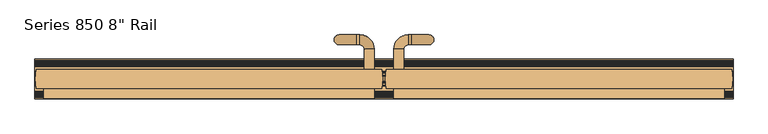
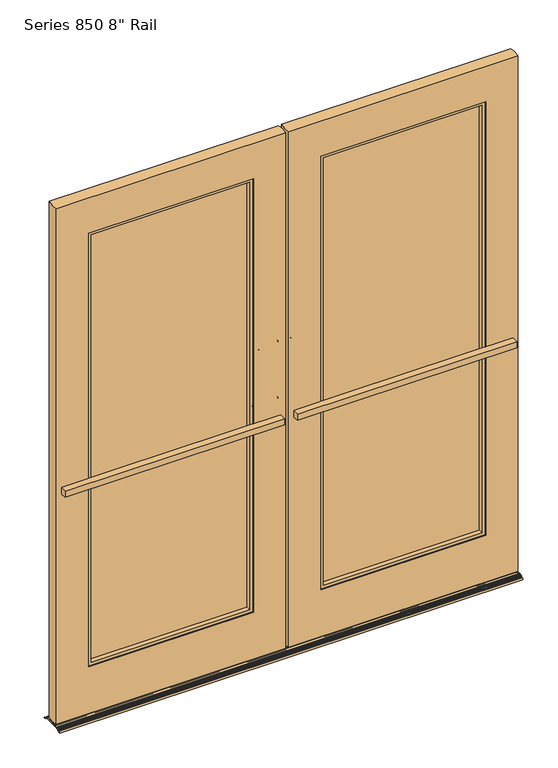
"""IFC4 building model written with IfcOpenShell, lengths in millimetres: door geometry."""

from ifc_helpers import new_model, si_unit, point, frame, frame_2d, origin, place, context, project, spatial, polyline, circle_curve, ellipse_curve, trimmed, segment, composite_curve, outline, extrude, faceted_brep, source, transform, mapped, element, save
from ifc_brep_helpers import plane_surface, cylinder_surface, revolved_surface, advanced_brep


def door_89d2e4ed(model_context):
    return source(origin(), model_context, "Body", "SolidModel", [
        advanced_brep(
        [(-25.0793731, 23.8125, 1187.45), (-50.4791324, 23.8125, 1187.45), (-25.0793731, 23.8125, 958.85), (-50.4791324, 23.8125, 958.85), (-50.4791324, 76.0772494, 1187.45), (-25.0793731, 76.0772494, 1187.45), (-61.7146237, 87.3127407, 1187.45), (-61.7146237, 112.7125, 1187.45), (-69.5293731, 87.3127407, 1187.45), (-69.5293731, 112.7125, 1187.45), (-113.9793731, 87.3127407, 1143.0), (-113.9793731, 112.7125, 1143.0), (-113.9793731, 87.3127407, 1003.3), (-113.9793731, 112.7125, 1003.3), (-69.5293731, 87.3127407, 958.85), (-69.5293731, 112.7125, 958.85), (-61.7146237, 87.3127407, 958.85), (-61.7146237, 112.7125, 958.85), (-50.4791324, 76.0772494, 958.85), (-25.0793731, 76.0772494, 958.85)],
        [
            (0, 1, circle_curve(frame((-37.7792527, 23.8125, 1187.45), z_axis=(0.0, -1.0, 0.0), x_axis=(1.0, 0.0, 0.0)), 12.6998797)),
            (1, 0, circle_curve(frame((-37.7792527, 23.8125, 1187.45), z_axis=(0.0, -1.0, 0.0), x_axis=(1.0, 0.0, 0.0)), 12.6998797)),
            (2, 3, circle_curve(frame((-37.7792527, 23.8125, 958.85), z_axis=(0.0, -1.0, 0.0), x_axis=(1.0, 0.0, 0.0)), 12.6998797)),
            (3, 2, circle_curve(frame((-37.7792527, 23.8125, 958.85), z_axis=(0.0, -1.0, 0.0), x_axis=(1.0, 0.0, 0.0)), 12.6998797)),
            (1, 4),
            (4, 5, circle_curve(frame((-37.7792527, 76.0772494, 1187.45), z_axis=(0.0, -1.0, 0.0), x_axis=(1.0, 0.0, 0.0)), 12.6998797)),
            (5, 0),
            (5, 4, circle_curve(frame((-37.7792527, 76.0772494, 1187.45), z_axis=(0.0, -1.0, 0.0), x_axis=(1.0, 0.0, 0.0)), 12.6998797)),
            (6, 7, circle_curve(frame((-61.7146237, 100.0126203, 1187.45), z_axis=(1.0, 0.0, 0.0), x_axis=(0.0, 1.0, 0.0)), 12.6998797)),
            (7, 5, circle_curve(frame((-61.7146237, 76.0772494, 1187.45), z_axis=(0.0, 0.0, -1.0), x_axis=(1.0, 0.0, 0.0)), 36.6352506)),
            (4, 6, circle_curve(frame((-61.7146237, 76.0772494, 1187.45), z_axis=(0.0, 0.0, 1.0), x_axis=(1.0, 0.0, 0.0)), 11.2354913)),
            (7, 6, circle_curve(frame((-61.7146237, 100.0126203, 1187.45), z_axis=(1.0, 0.0, 0.0), x_axis=(0.0, 1.0, 0.0)), 12.6998797)),
            (6, 8),
            (8, 9, circle_curve(frame((-69.5293731, 100.0126203, 1187.45), z_axis=(1.0, 0.0, 0.0), x_axis=(0.0, 1.0, 0.0)), 12.6998797)),
            (9, 7),
            (9, 8, circle_curve(frame((-69.5293731, 100.0126203, 1187.45), z_axis=(1.0, 0.0, 0.0), x_axis=(0.0, 1.0, 0.0)), 12.6998797)),
            (10, 11, circle_curve(frame((-113.9793731, 100.0126203, 1143.0), z_axis=(0.0, 0.0, 1.0), x_axis=(0.0, 1.0, 0.0)), 12.6998797)),
            (11, 9, circle_curve(frame((-69.5293731, 112.7125, 1143.0), z_axis=(0.0, 1.0, 0.0), x_axis=(0.0, 0.0, 1.0)), 44.45)),
            (8, 10, circle_curve(frame((-69.5293731, 87.3127407, 1143.0), z_axis=(0.0, -1.0, 0.0), x_axis=(0.0, 0.0, 1.0)), 44.45)),
            (11, 10, circle_curve(frame((-113.9793731, 100.0126203, 1143.0), z_axis=(0.0, 0.0, 1.0), x_axis=(0.0, 1.0, 0.0)), 12.6998797)),
            (10, 12),
            (12, 13, circle_curve(frame((-113.9793731, 100.0126203, 1003.3), z_axis=(0.0, 0.0, 1.0), x_axis=(0.0, 1.0, 0.0)), 12.6998797)),
            (13, 11),
            (13, 12, circle_curve(frame((-113.9793731, 100.0126203, 1003.3), z_axis=(0.0, 0.0, 1.0), x_axis=(0.0, 1.0, 0.0)), 12.6998797)),
            (14, 15, circle_curve(frame((-69.5293731, 100.0126203, 958.85), z_axis=(-1.0, 0.0, 0.0), x_axis=(0.0, 1.0, 0.0)), 12.6998797)),
            (15, 13, circle_curve(frame((-69.5293731, 112.7125, 1003.3), z_axis=(0.0, 1.0, 0.0), x_axis=(-1.0, 0.0, 0.0)), 44.45)),
            (12, 14, circle_curve(frame((-69.5293731, 87.3127407, 1003.3), z_axis=(0.0, -1.0, 0.0), x_axis=(-1.0, 0.0, 0.0)), 44.45)),
            (15, 14, circle_curve(frame((-69.5293731, 100.0126203, 958.85), z_axis=(-1.0, 0.0, 0.0), x_axis=(0.0, 1.0, 0.0)), 12.6998797)),
            (14, 16),
            (16, 17, circle_curve(frame((-61.7146237, 100.0126203, 958.85), z_axis=(-1.0, 0.0, 0.0), x_axis=(0.0, 1.0, 0.0)), 12.6998797)),
            (17, 15),
            (17, 16, circle_curve(frame((-61.7146237, 100.0126203, 958.85), z_axis=(-1.0, 0.0, 0.0), x_axis=(0.0, 1.0, 0.0)), 12.6998797)),
            (18, 19, circle_curve(frame((-37.7792527, 76.0772494, 958.85), z_axis=(0.0, 1.0, 0.0), x_axis=(1.0, 0.0, 0.0)), 12.6998797)),
            (19, 17, circle_curve(frame((-61.7146237, 76.0772494, 958.85), z_axis=(0.0, 0.0, 1.0), x_axis=(0.0, 1.0, 0.0)), 36.6352506)),
            (16, 18, circle_curve(frame((-61.7146237, 76.0772494, 958.85), z_axis=(0.0, 0.0, -1.0), x_axis=(0.0, 1.0, 0.0)), 11.2354913)),
            (19, 18, circle_curve(frame((-37.7792527, 76.0772494, 958.85), z_axis=(0.0, 1.0, 0.0), x_axis=(1.0, 0.0, 0.0)), 12.6998797)),
            (18, 3),
            (2, 19),
        ],
        [
            plane_surface(frame((-25.0793731, 23.8125, 1187.45), z_axis=(0.0, -1.0, 0.0), x_axis=(0.0, 0.0, 1.0))),
            plane_surface(frame((-25.0793731, 23.8125, 958.85), z_axis=(0.0, -1.0, 0.0), x_axis=(0.0, 0.0, -1.0))),
            cylinder_surface(frame((-37.7792527, 23.8125, 1187.45), z_axis=(0.0, -1.0, 0.0), x_axis=(1.0, 0.0, 0.0)), 12.6998797),
            revolved_surface(trimmed(ellipse_curve(frame((-37.7792527, 76.0772494, 1187.45), z_axis=(0.0, 1.0, 0.0), x_axis=(1.0, 0.0, 0.0)), 12.6998797, 12.6998797), [point((-25.0793731, 76.0772494, 1187.45))], [point((-50.4791324, 76.0772494, 1187.45))], True, "CARTESIAN"), (-61.7146237, 76.0772494, 1187.45), (0.0, 0.0, -1.0)),
            revolved_surface(trimmed(ellipse_curve(frame((-37.7792527, 76.0772494, 1187.45), z_axis=(0.0, 1.0, 0.0), x_axis=(1.0, 0.0, 0.0)), 12.6998797, 12.6998797), [point((-50.4791324, 76.0772494, 1187.45))], [point((-25.0793731, 76.0772494, 1187.45))], True, "CARTESIAN"), (-61.7146237, 76.0772494, 1187.45), (0.0, 0.0, -1.0)),
            cylinder_surface(frame((-61.7146237, 100.0126203, 1187.45), z_axis=(1.0, 0.0, 0.0), x_axis=(0.0, 1.0, 0.0)), 12.6998797),
            revolved_surface(trimmed(ellipse_curve(frame((-69.5293731, 100.0126203, 1187.45), z_axis=(-1.0, 0.0, 0.0), x_axis=(0.0, 1.0, 0.0)), 12.6998797, 12.6998797), [point((-69.5293731, 112.7125, 1187.45))], [point((-69.5293731, 87.3127407, 1187.45))], True, "CARTESIAN"), (-69.5293731, 100.0125, 1143.0), (0.0, 1.0, 0.0)),
            revolved_surface(trimmed(ellipse_curve(frame((-69.5293731, 100.0126203, 1187.45), z_axis=(-1.0, 0.0, 0.0), x_axis=(0.0, 1.0, 0.0)), 12.6998797, 12.6998797), [point((-69.5293731, 87.3127407, 1187.45))], [point((-69.5293731, 112.7125, 1187.45))], True, "CARTESIAN"), (-69.5293731, 100.0125, 1143.0), (0.0, 1.0, 0.0)),
            cylinder_surface(frame((-113.9793731, 100.0126203, 1143.0), z_axis=(0.0, 0.0, 1.0), x_axis=(0.0, 1.0, 0.0)), 12.6998797),
            revolved_surface(trimmed(ellipse_curve(frame((-113.9793731, 100.0126203, 1003.3), z_axis=(0.0, 0.0, -1.0), x_axis=(0.0, 1.0, 0.0)), 12.6998797, 12.6998797), [point((-113.9793731, 112.7125, 1003.3))], [point((-113.9793731, 87.3127407, 1003.3))], True, "CARTESIAN"), (-69.5293731, 100.0125, 1003.3), (0.0, 1.0, 0.0)),
            revolved_surface(trimmed(ellipse_curve(frame((-113.9793731, 100.0126203, 1003.3), z_axis=(0.0, 0.0, -1.0), x_axis=(0.0, 1.0, 0.0)), 12.6998797, 12.6998797), [point((-113.9793731, 87.3127407, 1003.3))], [point((-113.9793731, 112.7125, 1003.3))], True, "CARTESIAN"), (-69.5293731, 100.0125, 1003.3), (0.0, 1.0, 0.0)),
            cylinder_surface(frame((-69.5293731, 100.0126203, 958.85), z_axis=(-1.0, 0.0, 0.0), x_axis=(0.0, 1.0, 0.0)), 12.6998797),
            revolved_surface(trimmed(ellipse_curve(frame((-61.7146237, 100.0126203, 958.85), z_axis=(1.0, 0.0, 0.0), x_axis=(0.0, 1.0, 0.0)), 12.6998797, 12.6998797), [point((-61.7146237, 112.7125, 958.85))], [point((-61.7146237, 87.3127407, 958.85))], True, "CARTESIAN"), (-61.7146237, 76.0772494, 958.85), (0.0, 0.0, 1.0)),
            revolved_surface(trimmed(ellipse_curve(frame((-61.7146237, 100.0126203, 958.85), z_axis=(1.0, 0.0, 0.0), x_axis=(0.0, 1.0, 0.0)), 12.6998797, 12.6998797), [point((-61.7146237, 87.3127407, 958.85))], [point((-61.7146237, 112.7125, 958.85))], True, "CARTESIAN"), (-61.7146237, 76.0772494, 958.85), (0.0, 0.0, 1.0)),
            cylinder_surface(frame((-37.7792527, 76.0772494, 958.85), z_axis=(0.0, 1.0, 0.0), x_axis=(1.0, 0.0, 0.0)), 12.6998797),
        ],
        [
            (0, [[1, 2]]),
            (1, [[3, 4]]),
            (2, [[5, 6, 7, -2]]),
            (2, [[-7, 8, -5, -1]]),
            (3, [[9, 10, -6, 11]]),
            (4, [[12, -11, -8, -10]]),
            (5, [[13, 14, 15, -9]]),
            (5, [[-15, 16, -13, -12]]),
            (6, [[17, 18, -14, 19]]),
            (7, [[20, -19, -16, -18]]),
            (8, [[21, 22, 23, -17]]),
            (8, [[-23, 24, -21, -20]]),
            (9, [[25, 26, -22, 27]]),
            (10, [[28, -27, -24, -26]]),
            (11, [[29, 30, 31, -25]]),
            (11, [[-31, 32, -29, -28]]),
            (12, [[33, 34, -30, 35]]),
            (13, [[36, -35, -32, -34]]),
            (14, [[37, -3, 38, -33]]),
            (14, [[-38, -4, -37, -36]]),
        ],
    ),
        advanced_brep(
        [(25.0793731, 23.8125, 1187.45), (50.4791324, 23.8125, 1187.45), (25.0793731, 23.8125, 958.85), (50.4791324, 23.8125, 958.85), (25.0793731, 76.0772494, 1187.45), (50.4791324, 76.0772494, 1187.45), (61.7146237, 87.3127407, 1187.45), (61.7146237, 112.7125, 1187.45), (69.5293731, 112.7125, 1187.45), (69.5293731, 87.3127407, 1187.45), (113.9793731, 87.3127407, 1143.0), (113.9793731, 112.7125, 1143.0), (113.9793731, 112.7125, 1003.3), (113.9793731, 87.3127407, 1003.3), (69.5293731, 87.3127407, 958.85), (69.5293731, 112.7125, 958.85), (61.7146237, 112.7125, 958.85), (61.7146237, 87.3127407, 958.85), (50.4791324, 76.0772494, 958.85), (25.0793731, 76.0772494, 958.85)],
        [
            (0, 1, circle_curve(frame((37.7792527, 23.8125, 1187.45), z_axis=(0.0, -1.0, 0.0), x_axis=(-1.0, 0.0, 0.0)), 12.6998797)),
            (1, 0, circle_curve(frame((37.7792527, 23.8125, 1187.45), z_axis=(0.0, -1.0, 0.0), x_axis=(-1.0, 0.0, 0.0)), 12.6998797)),
            (2, 3, circle_curve(frame((37.7792527, 23.8125, 958.85), z_axis=(0.0, -1.0, 0.0), x_axis=(-1.0, 0.0, 0.0)), 12.6998797)),
            (3, 2, circle_curve(frame((37.7792527, 23.8125, 958.85), z_axis=(0.0, -1.0, 0.0), x_axis=(-1.0, 0.0, 0.0)), 12.6998797)),
            (0, 4),
            (4, 5, circle_curve(frame((37.7792527, 76.0772494, 1187.45), z_axis=(0.0, -1.0, 0.0), x_axis=(-1.0, 0.0, 0.0)), 12.6998797)),
            (5, 1),
            (5, 4, circle_curve(frame((37.7792527, 76.0772494, 1187.45), z_axis=(0.0, -1.0, 0.0), x_axis=(-1.0, 0.0, 0.0)), 12.6998797)),
            (6, 5, circle_curve(frame((61.7146237, 76.0772494, 1187.45), z_axis=(0.0, 0.0, 1.0), x_axis=(-1.0, 0.0, 0.0)), 11.2354913)),
            (4, 7, circle_curve(frame((61.7146237, 76.0772494, 1187.45), z_axis=(0.0, 0.0, -1.0), x_axis=(-1.0, 0.0, 0.0)), 36.6352506)),
            (7, 6, circle_curve(frame((61.7146237, 100.0126203, 1187.45), z_axis=(-1.0, 0.0, 0.0), x_axis=(0.0, 1.0, 0.0)), 12.6998797)),
            (6, 7, circle_curve(frame((61.7146237, 100.0126203, 1187.45), z_axis=(-1.0, 0.0, 0.0), x_axis=(0.0, 1.0, 0.0)), 12.6998797)),
            (7, 8),
            (8, 9, circle_curve(frame((69.5293731, 100.0126203, 1187.45), z_axis=(-1.0, 0.0, 0.0), x_axis=(0.0, 1.0, 0.0)), 12.6998797)),
            (9, 6),
            (9, 8, circle_curve(frame((69.5293731, 100.0126203, 1187.45), z_axis=(-1.0, 0.0, 0.0), x_axis=(0.0, 1.0, 0.0)), 12.6998797)),
            (10, 9, circle_curve(frame((69.5293731, 87.3127407, 1143.0), z_axis=(0.0, -1.0, 0.0), x_axis=(0.0, 0.0, 1.0)), 44.45)),
            (8, 11, circle_curve(frame((69.5293731, 112.7125, 1143.0), z_axis=(0.0, 1.0, 0.0), x_axis=(0.0, 0.0, 1.0)), 44.45)),
            (11, 10, circle_curve(frame((113.9793731, 100.0126203, 1143.0), z_axis=(0.0, 0.0, 1.0), x_axis=(0.0, 1.0, 0.0)), 12.6998797)),
            (10, 11, circle_curve(frame((113.9793731, 100.0126203, 1143.0), z_axis=(0.0, 0.0, 1.0), x_axis=(0.0, 1.0, 0.0)), 12.6998797)),
            (11, 12),
            (12, 13, circle_curve(frame((113.9793731, 100.0126203, 1003.3), z_axis=(0.0, 0.0, 1.0), x_axis=(0.0, 1.0, 0.0)), 12.6998797)),
            (13, 10),
            (13, 12, circle_curve(frame((113.9793731, 100.0126203, 1003.3), z_axis=(0.0, 0.0, 1.0), x_axis=(0.0, 1.0, 0.0)), 12.6998797)),
            (14, 13, circle_curve(frame((69.5293731, 87.3127407, 1003.3), z_axis=(0.0, -1.0, 0.0), x_axis=(1.0, 0.0, 0.0)), 44.45)),
            (12, 15, circle_curve(frame((69.5293731, 112.7125, 1003.3), z_axis=(0.0, 1.0, 0.0), x_axis=(1.0, 0.0, 0.0)), 44.45)),
            (15, 14, circle_curve(frame((69.5293731, 100.0126203, 958.85), z_axis=(1.0, 0.0, 0.0), x_axis=(0.0, 1.0, 0.0)), 12.6998797)),
            (14, 15, circle_curve(frame((69.5293731, 100.0126203, 958.85), z_axis=(1.0, 0.0, 0.0), x_axis=(0.0, 1.0, 0.0)), 12.6998797)),
            (15, 16),
            (16, 17, circle_curve(frame((61.7146237, 100.0126203, 958.85), z_axis=(1.0, 0.0, 0.0), x_axis=(0.0, 1.0, 0.0)), 12.6998797)),
            (17, 14),
            (17, 16, circle_curve(frame((61.7146237, 100.0126203, 958.85), z_axis=(1.0, 0.0, 0.0), x_axis=(0.0, 1.0, 0.0)), 12.6998797)),
            (18, 17, circle_curve(frame((61.7146237, 76.0772494, 958.85), z_axis=(0.0, 0.0, -1.0), x_axis=(0.0, 1.0, 0.0)), 11.2354913)),
            (16, 19, circle_curve(frame((61.7146237, 76.0772494, 958.85), z_axis=(0.0, 0.0, 1.0), x_axis=(0.0, 1.0, 0.0)), 36.6352506)),
            (19, 18, circle_curve(frame((37.7792527, 76.0772494, 958.85), z_axis=(0.0, 1.0, 0.0), x_axis=(-1.0, 0.0, 0.0)), 12.6998797)),
            (18, 19, circle_curve(frame((37.7792527, 76.0772494, 958.85), z_axis=(0.0, 1.0, 0.0), x_axis=(-1.0, 0.0, 0.0)), 12.6998797)),
            (19, 2),
            (3, 18),
        ],
        [
            plane_surface(frame((25.0793731, 23.8125, 1187.45), z_axis=(0.0, -1.0, 0.0), x_axis=(0.0, 0.0, 1.0))),
            plane_surface(frame((25.0793731, 23.8125, 958.85), z_axis=(0.0, -1.0, 0.0), x_axis=(0.0, 0.0, -1.0))),
            cylinder_surface(frame((37.7792527, 23.8125, 1187.45), z_axis=(0.0, -1.0, 0.0), x_axis=(-1.0, 0.0, 0.0)), 12.6998797),
            revolved_surface(trimmed(ellipse_curve(frame((37.7792527, 76.0772494, 1187.45), z_axis=(0.0, -1.0, 0.0), x_axis=(-1.0, 0.0, 0.0)), 12.6998797, 12.6998797), [point((25.0793731, 76.0772494, 1187.45))], [point((50.4791324, 76.0772494, 1187.45))], True, "CARTESIAN"), (61.7146237, 76.0772494, 1187.45), (0.0, 0.0, -1.0)),
            revolved_surface(trimmed(ellipse_curve(frame((37.7792527, 76.0772494, 1187.45), z_axis=(0.0, -1.0, 0.0), x_axis=(-1.0, 0.0, 0.0)), 12.6998797, 12.6998797), [point((50.4791324, 76.0772494, 1187.45))], [point((25.0793731, 76.0772494, 1187.45))], True, "CARTESIAN"), (61.7146237, 76.0772494, 1187.45), (0.0, 0.0, -1.0)),
            cylinder_surface(frame((61.7146237, 100.0126203, 1187.45), z_axis=(-1.0, 0.0, 0.0), x_axis=(0.0, 1.0, 0.0)), 12.6998797),
            revolved_surface(trimmed(ellipse_curve(frame((69.5293731, 100.0126203, 1187.45), z_axis=(-1.0, 0.0, 0.0), x_axis=(0.0, 1.0, 0.0)), 12.6998797, 12.6998797), [point((69.5293731, 112.7125, 1187.45))], [point((69.5293731, 87.3127407, 1187.45))], True, "CARTESIAN"), (69.5293731, 100.0125, 1143.0), (0.0, 1.0, 0.0)),
            revolved_surface(trimmed(ellipse_curve(frame((69.5293731, 100.0126203, 1187.45), z_axis=(-1.0, 0.0, 0.0), x_axis=(0.0, 1.0, 0.0)), 12.6998797, 12.6998797), [point((69.5293731, 87.3127407, 1187.45))], [point((69.5293731, 112.7125, 1187.45))], True, "CARTESIAN"), (69.5293731, 100.0125, 1143.0), (0.0, 1.0, 0.0)),
            cylinder_surface(frame((113.9793731, 100.0126203, 1143.0), z_axis=(0.0, 0.0, 1.0), x_axis=(0.0, 1.0, 0.0)), 12.6998797),
            revolved_surface(trimmed(ellipse_curve(frame((113.9793731, 100.0126203, 1003.3), z_axis=(0.0, 0.0, 1.0), x_axis=(0.0, 1.0, 0.0)), 12.6998797, 12.6998797), [point((113.9793731, 112.7125, 1003.3))], [point((113.9793731, 87.3127407, 1003.3))], True, "CARTESIAN"), (69.5293731, 100.0125, 1003.3), (0.0, 1.0, 0.0)),
            revolved_surface(trimmed(ellipse_curve(frame((113.9793731, 100.0126203, 1003.3), z_axis=(0.0, 0.0, 1.0), x_axis=(0.0, 1.0, 0.0)), 12.6998797, 12.6998797), [point((113.9793731, 87.3127407, 1003.3))], [point((113.9793731, 112.7125, 1003.3))], True, "CARTESIAN"), (69.5293731, 100.0125, 1003.3), (0.0, 1.0, 0.0)),
            cylinder_surface(frame((69.5293731, 100.0126203, 958.85), z_axis=(1.0, 0.0, 0.0), x_axis=(0.0, 1.0, 0.0)), 12.6998797),
            revolved_surface(trimmed(ellipse_curve(frame((61.7146237, 100.0126203, 958.85), z_axis=(1.0, 0.0, 0.0), x_axis=(0.0, 1.0, 0.0)), 12.6998797, 12.6998797), [point((61.7146237, 112.7125, 958.85))], [point((61.7146237, 87.3127407, 958.85))], True, "CARTESIAN"), (61.7146237, 76.0772494, 958.85), (0.0, 0.0, 1.0)),
            revolved_surface(trimmed(ellipse_curve(frame((61.7146237, 100.0126203, 958.85), z_axis=(1.0, 0.0, 0.0), x_axis=(0.0, 1.0, 0.0)), 12.6998797, 12.6998797), [point((61.7146237, 87.3127407, 958.85))], [point((61.7146237, 112.7125, 958.85))], True, "CARTESIAN"), (61.7146237, 76.0772494, 958.85), (0.0, 0.0, 1.0)),
            cylinder_surface(frame((37.7792527, 76.0772494, 958.85), z_axis=(0.0, 1.0, 0.0), x_axis=(-1.0, 0.0, 0.0)), 12.6998797),
        ],
        [
            (0, [[1, 2]]),
            (1, [[3, 4]]),
            (2, [[-1, 5, 6, 7]]),
            (2, [[-2, -7, 8, -5]]),
            (3, [[9, -6, 10, 11]]),
            (4, [[-10, -8, -9, 12]]),
            (5, [[-11, 13, 14, 15]]),
            (5, [[-12, -15, 16, -13]]),
            (6, [[17, -14, 18, 19]]),
            (7, [[-18, -16, -17, 20]]),
            (8, [[-19, 21, 22, 23]]),
            (8, [[-20, -23, 24, -21]]),
            (9, [[25, -22, 26, 27]]),
            (10, [[-26, -24, -25, 28]]),
            (11, [[-27, 29, 30, 31]]),
            (11, [[-28, -31, 32, -29]]),
            (12, [[33, -30, 34, 35]]),
            (13, [[-34, -32, -33, 36]]),
            (14, [[-35, 37, -4, 38]]),
            (14, [[-36, -38, -3, -37]]),
        ],
    ),
        advanced_brep(
        [(-6.0059069, -23.8125, 17.4625), (-6.0059069, -23.8125, 2108.2), (-885.3753431, -23.8125, 2108.2), (-885.3753431, -23.8125, 17.4625), (-129.38125, -23.8125, 207.9625), (-762.0, -23.8125, 207.9625), (-762.0, -23.8125, 1965.325), (-129.38125, -23.8125, 1965.325), (-129.38125, 23.8125, 207.9625), (-762.0, 23.8125, 207.9625), (-6.0059069, 23.8125, 2108.2), (-6.0059069, 23.8125, 17.4625), (-885.3753431, 23.8125, 17.4625), (-885.3753431, 23.8125, 2108.2), (-129.38125, 23.8125, 1965.325), (-762.0, 23.8125, 1965.325)],
        [
            (0, 1),
            (1, 2),
            (2, 3),
            (3, 0),
            (4, 5),
            (5, 6),
            (6, 7),
            (7, 4),
            (4, 8),
            (8, 9),
            (9, 5),
            (10, 11),
            (11, 12),
            (12, 13),
            (13, 10),
            (8, 14),
            (14, 15),
            (15, 9),
            (11, 0, circle_curve(frame((-119.8691035, 1e-07, 17.4625), z_axis=(0.0, 0.0, -1.0), x_axis=(1.0, 0.0, 0.0)), 116.3265348)),
            (3, 12, circle_curve(frame((-771.5121465, 1e-07, 17.4625), z_axis=(0.0, 0.0, -1.0), x_axis=(1.0, 0.0, 0.0)), 116.3265348)),
            (1, 10, circle_curve(frame((-119.8691035, 1e-07, 2108.2), z_axis=(0.0, 0.0, 1.0), x_axis=(1.0, 0.0, 0.0)), 116.3265348)),
            (13, 2, circle_curve(frame((-771.5121465, 1e-07, 2108.2), z_axis=(0.0, 0.0, 1.0), x_axis=(1.0, 0.0, 0.0)), 116.3265348)),
            (6, 15),
            (14, 7),
        ],
        [
            plane_surface(frame((-762.0, -23.8125, 17.4625), z_axis=(0.0, -1.0, 0.0), x_axis=(1.0, 0.0, 0.0))),
            plane_surface(frame((-762.0, -23.8125, 207.9625), z_axis=(0.0, 0.0, 1.0), x_axis=(1.0, 0.0, 0.0))),
            plane_surface(frame((-762.0, 23.8125, 207.9625), z_axis=(0.0, 1.0, 0.0), x_axis=(1.0, 0.0, 0.0))),
            plane_surface(frame((-762.0, 23.8125, 17.4625), z_axis=(0.0, 0.0, -1.0), x_axis=(1.0, 0.0, 0.0))),
            plane_surface(frame((-762.0, -23.8125, 2108.2), z_axis=(0.0, 0.0, 1.0), x_axis=(1.0, 0.0, 0.0))),
            plane_surface(frame((-762.0, 23.8125, 1965.325), z_axis=(0.0, 0.0, -1.0), x_axis=(1.0, 0.0, 0.0))),
            plane_surface(frame((-129.38125, 23.8125, 2108.2), z_axis=(-1.0, 0.0, 0.0), x_axis=(0.0, 0.0, -1.0))),
            cylinder_surface(frame((-119.8691035, 1e-07, 17.4625), z_axis=(0.0, 0.0, 1.0), x_axis=(1.0, 0.0, 0.0)), 116.3265348),
            cylinder_surface(frame((-771.5121465, 1e-07, 0.0), z_axis=(0.0, 0.0, 1.0), x_axis=(1.0, 0.0, 0.0)), 116.3265348),
            plane_surface(frame((-762.0, -23.8125, 2108.2), z_axis=(1.0, 0.0, 0.0), x_axis=(0.0, 0.0, -1.0))),
        ],
        [
            (0, [[1, 2, 3, 4], [5, 6, 7, 8]]),
            (1, [[-5, 9, 10, 11]]),
            (2, [[12, 13, 14, 15], [-10, 16, 17, 18]]),
            (3, [[19, -4, 20, -13]]),
            (4, [[21, -15, 22, -2]]),
            (5, [[-7, 23, -17, 24]]),
            (6, [[-8, -24, -16, -9]]),
            (7, [[-21, -1, -19, -12]]),
            (8, [[-22, -14, -20, -3]]),
            (9, [[-6, -11, -18, -23]]),
        ],
    ),
        advanced_brep(
        [(6.0059069, -23.8125, 17.4625), (6.0059069, 23.8125, 17.4625), (885.3753431, 23.8125, 17.4625), (885.3753431, -23.8125, 17.4625), (6.0059069, 23.8125, 2108.2), (6.0059069, -23.8125, 2108.2), (885.3753431, -23.8125, 2108.2), (885.3753431, 23.8125, 2108.2), (129.38125, -23.8125, 1965.325), (129.38125, -23.8125, 207.9625), (129.38125, 23.8125, 207.9625), (129.38125, 23.8125, 1965.325), (762.0, 23.8125, 207.9625), (762.0, 23.8125, 1965.325), (762.0, -23.8125, 1965.325), (762.0, -23.8125, 207.9625)],
        [
            (0, 1, circle_curve(frame((119.8691035, 1e-07, 17.4625), z_axis=(0.0, 0.0, -1.0), x_axis=(1.0, 0.0, 0.0)), 116.3265348)),
            (1, 2),
            (2, 3, circle_curve(frame((771.5121465, 1e-07, 17.4625), z_axis=(0.0, 0.0, -1.0), x_axis=(1.0, 0.0, 0.0)), 116.3265348)),
            (3, 0),
            (4, 5, circle_curve(frame((119.8691035, 1e-07, 2108.2), z_axis=(0.0, 0.0, 1.0), x_axis=(1.0, 0.0, 0.0)), 116.3265348)),
            (5, 6),
            (6, 7, circle_curve(frame((771.5121465, 1e-07, 2108.2), z_axis=(0.0, 0.0, 1.0), x_axis=(1.0, 0.0, 0.0)), 116.3265348)),
            (7, 4),
            (8, 9),
            (9, 10),
            (10, 11),
            (11, 8),
            (7, 2),
            (1, 4),
            (10, 12),
            (12, 13),
            (13, 11),
            (0, 5),
            (3, 6),
            (8, 14),
            (14, 15),
            (15, 9),
            (12, 15),
            (14, 13),
        ],
        [
            plane_surface(frame((-762.0, 23.8125, 17.4625), z_axis=(0.0, 0.0, -1.0), x_axis=(1.0, 0.0, 0.0))),
            plane_surface(frame((-762.0, -23.8125, 2108.2), z_axis=(0.0, 0.0, 1.0), x_axis=(1.0, 0.0, 0.0))),
            plane_surface(frame((129.38125, -23.8125, 2108.2), z_axis=(1.0, 0.0, 0.0), x_axis=(0.0, 0.0, -1.0))),
            plane_surface(frame((129.38125, 23.8125, 2108.2), z_axis=(0.0, 1.0, 0.0), x_axis=(0.0, 0.0, -1.0))),
            cylinder_surface(frame((119.8691035, 1e-07, 0.0), z_axis=(0.0, 0.0, 1.0), x_axis=(1.0, 0.0, 0.0)), 116.3265348),
            plane_surface(frame((6.0059069, -23.8125, 2108.2), z_axis=(0.0, -1.0, 0.0), x_axis=(0.0, 0.0, -1.0))),
            plane_surface(frame((762.0, 23.8125, 2108.2), z_axis=(-1.0, 0.0, 0.0), x_axis=(0.0, 0.0, -1.0))),
            cylinder_surface(frame((771.5121465, 1e-07, 0.0), z_axis=(0.0, 0.0, 1.0), x_axis=(1.0, 0.0, 0.0)), 116.3265348),
            plane_surface(frame((129.38125, 23.8125, 1965.325), z_axis=(0.0, 0.0, -1.0), x_axis=(1.0, 0.0, 0.0))),
            plane_surface(frame((129.38125, -23.8125, 207.9625), z_axis=(0.0, 0.0, 1.0), x_axis=(1.0, 0.0, 0.0))),
        ],
        [
            (0, [[1, 2, 3, 4]]),
            (1, [[5, 6, 7, 8]]),
            (2, [[9, 10, 11, 12]]),
            (3, [[-8, 13, -2, 14], [15, 16, 17, -11]]),
            (4, [[-5, -14, -1, 18]]),
            (5, [[-6, -18, -4, 19], [20, 21, 22, -9]]),
            (6, [[-16, 23, -21, 24]]),
            (7, [[-7, -19, -3, -13]]),
            (8, [[-17, -24, -20, -12]]),
            (9, [[-22, -23, -15, -10]]),
        ],
    ),
        extrude(outline(polyline([(129.38125, 2.3306352), (130.1274247, 3.175), (761.2985541, 3.175), (762.0, 2.38125), (762.0, -2.38125), (761.1013722, -3.175), (130.2225753, -3.175), (129.38125, -2.4318648), (129.38125, 2.3306352)])), frame((0.0, 0.0, 207.9625), z_axis=(0.0, 0.0, 1.0), x_axis=(1.0, 0.0, 0.0)), (0.0, 0.0, 1.0), 1757.3625),
        extrude(outline(polyline([(-762.0, 2.4288253), (-761.2538253, 3.175), (-130.1274247, 3.175), (-129.38125, 2.4288253), (-129.38125, -2.3336747), (-130.2225753, -3.175), (-761.1586747, -3.175), (-762.0, -2.3336747), (-762.0, 2.4288253)])), frame((0.0, 0.0, 207.9625), z_axis=(0.0, 0.0, 1.0), x_axis=(1.0, 0.0, 0.0)), (0.0, 0.0, 1.0), 1757.3625),
        faceted_brep([(756.6421875, 19.8595485, 1959.9671875), (756.6421875, 3.175, 1959.9671875), (756.6421875, 3.175, 213.3203125), (756.6421875, 19.8595485, 213.3203125), (762.0, 21.2565502, 1965.325), (762.0, 19.8595485, 1965.325), (762.0, 19.8595485, 207.9625), (762.0, 21.2565502, 207.9625), (749.3, 3.175, 1952.625), (749.3, 21.2565502, 1952.625), (749.3, 21.2565502, 220.6625), (749.3, 3.175, 220.6625), (134.7390625, 3.175, 213.3203125), (134.7390625, 19.8595485, 213.3203125), (129.38125, 19.8595485, 207.9625), (129.38125, 21.2565502, 207.9625), (142.08125, 21.2565502, 220.6625), (142.08125, 3.175, 220.6625), (134.7390625, 3.175, 1959.9671875), (134.7390625, 19.8595485, 1959.9671875), (129.38125, 19.8595485, 1965.325), (129.38125, 21.2565502, 1965.325), (142.08125, 21.2565502, 1952.625), (142.08125, 3.175, 1952.625)], [[[0, 1, 2, 3]], [[4, 5, 6, 7]], [[8, 9, 10, 11]], [[3, 2, 12, 13]], [[7, 6, 14, 15]], [[11, 10, 16, 17]], [[13, 12, 18, 19]], [[15, 14, 20, 21]], [[17, 16, 22, 23]], [[1, 18, 12, 2], [11, 17, 23, 8]], [[19, 18, 1, 0]], [[5, 20, 14, 6], [3, 13, 19, 0]], [[21, 20, 5, 4]], [[7, 15, 21, 4], [9, 22, 16, 10]], [[23, 22, 9, 8]]]),
        faceted_brep([(756.6421875, -3.175, 1959.9671875), (756.6421875, -19.3769229, 1959.9671875), (756.6421875, -19.3769229, 213.3203125), (756.6421875, -3.175, 213.3203125), (749.3, -20.7739246, 1952.625), (749.3, -3.175, 1952.625), (749.3, -3.175, 220.6625), (749.3, -20.7739246, 220.6625), (762.0, -19.3769229, 1965.325), (762.0, -20.7739246, 1965.325), (762.0, -20.7739246, 207.9625), (762.0, -19.3769229, 207.9625), (134.7390625, -19.3769229, 213.3203125), (134.7390625, -3.175, 213.3203125), (142.08125, -3.175, 220.6625), (142.08125, -20.7739246, 220.6625), (129.38125, -20.7739246, 207.9625), (129.38125, -19.3769229, 207.9625), (134.7390625, -19.3769229, 1959.9671875), (134.7390625, -3.175, 1959.9671875), (142.08125, -3.175, 1952.625), (142.08125, -20.7739246, 1952.625), (129.38125, -20.7739246, 1965.325), (129.38125, -19.3769229, 1965.325)], [[[0, 1, 2, 3]], [[4, 5, 6, 7]], [[8, 9, 10, 11]], [[3, 2, 12, 13]], [[7, 6, 14, 15]], [[11, 10, 16, 17]], [[13, 12, 18, 19]], [[15, 14, 20, 21]], [[17, 16, 22, 23]], [[11, 17, 23, 8], [1, 18, 12, 2]], [[19, 18, 1, 0]], [[3, 13, 19, 0], [5, 20, 14, 6]], [[21, 20, 5, 4]], [[9, 22, 16, 10], [7, 15, 21, 4]], [[23, 22, 9, 8]]]),
        extrude(outline(polyline([(-866.42575, -49.2125), (-866.42575, -23.8125), (-25.0614657, -23.8125), (-25.0614657, -49.2125), (-866.42575, -49.2125)])), frame((0.0, 0.0, 946.15), z_axis=(0.0, 0.0, 1.0), x_axis=(1.0, 0.0, 0.0)), (0.0, 0.0, 1.0), 25.4),
        extrude(outline(polyline([(25.0793731, -49.2125), (25.0793731, -23.8125), (866.42575, -23.8125), (866.42575, -49.2125), (25.0793731, -49.2125)])), frame((0.0, 0.0, 946.15), z_axis=(0.0, 0.0, 1.0), x_axis=(1.0, 0.0, 0.0)), (0.0, 0.0, 1.0), 25.4),
        faceted_brep([(-134.7390625, 19.8595485, 1959.9671875), (-134.7390625, 3.175, 1959.9671875), (-134.7390625, 3.175, 213.3203125), (-134.7390625, 19.8595485, 213.3203125), (-129.38125, 21.2565502, 1965.325), (-129.38125, 19.8595485, 1965.325), (-129.38125, 19.8595485, 207.9625), (-129.38125, 21.2565502, 207.9625), (-142.08125, 3.175, 1952.625), (-142.08125, 21.2565502, 1952.625), (-142.08125, 21.2565502, 220.6625), (-142.08125, 3.175, 220.6625), (-756.6421875, 3.175, 213.3203125), (-756.6421875, 19.8595485, 213.3203125), (-762.0, 19.8595485, 207.9625), (-762.0, 21.2565502, 207.9625), (-749.3, 21.2565502, 220.6625), (-749.3, 3.175, 220.6625), (-756.6421875, 3.175, 1959.9671875), (-756.6421875, 19.8595485, 1959.9671875), (-762.0, 19.8595485, 1965.325), (-762.0, 21.2565502, 1965.325), (-749.3, 21.2565502, 1952.625), (-749.3, 3.175, 1952.625)], [[[0, 1, 2, 3]], [[4, 5, 6, 7]], [[8, 9, 10, 11]], [[3, 2, 12, 13]], [[7, 6, 14, 15]], [[11, 10, 16, 17]], [[13, 12, 18, 19]], [[15, 14, 20, 21]], [[17, 16, 22, 23]], [[1, 18, 12, 2], [11, 17, 23, 8]], [[19, 18, 1, 0]], [[5, 20, 14, 6], [3, 13, 19, 0]], [[21, 20, 5, 4]], [[7, 15, 21, 4], [9, 22, 16, 10]], [[23, 22, 9, 8]]]),
        faceted_brep([(-134.7390625, -3.175, 1959.9671875), (-134.7390625, -19.3769229, 1959.9671875), (-134.7390625, -19.3769229, 213.3203125), (-134.7390625, -3.175, 213.3203125), (-142.08125, -20.7739246, 1952.625), (-142.08125, -3.175, 1952.625), (-142.08125, -3.175, 220.6625), (-142.08125, -20.7739246, 220.6625), (-129.38125, -19.3769229, 1965.325), (-129.38125, -20.7739246, 1965.325), (-129.38125, -20.7739246, 207.9625), (-129.38125, -19.3769229, 207.9625), (-756.6421875, -19.3769229, 213.3203125), (-756.6421875, -3.175, 213.3203125), (-749.3, -3.175, 220.6625), (-749.3, -20.7739246, 220.6625), (-762.0, -20.7739246, 207.9625), (-762.0, -19.3769229, 207.9625), (-756.6421875, -19.3769229, 1959.9671875), (-756.6421875, -3.175, 1959.9671875), (-749.3, -3.175, 1952.625), (-749.3, -20.7739246, 1952.625), (-762.0, -20.7739246, 1965.325), (-762.0, -19.3769229, 1965.325)], [[[0, 1, 2, 3]], [[4, 5, 6, 7]], [[8, 9, 10, 11]], [[3, 2, 12, 13]], [[7, 6, 14, 15]], [[11, 10, 16, 17]], [[13, 12, 18, 19]], [[15, 14, 20, 21]], [[17, 16, 22, 23]], [[11, 17, 23, 8], [1, 18, 12, 2]], [[19, 18, 1, 0]], [[3, 13, 19, 0], [5, 20, 14, 6]], [[21, 20, 5, 4]], [[9, 22, 16, 10], [7, 15, 21, 4]], [[23, 22, 9, 8]]]),
        extrude(outline(composite_curve([segment(trimmed(circle_curve(frame_2d((19.6087872, 9.8044)), 0.7874), [point((20.3812981, 9.652))], [point((19.6087872, 9.017))], False, "CARTESIAN"), True, "CONTINUOUS"), segment(polyline([(19.6087872, 9.017), (-20.0914128, 9.017)]), True, "CONTINUOUS"), segment(trimmed(circle_curve(frame_2d((-20.0914128, 9.8044)), 0.7874), [point((-20.0914128, 9.017))], [point((-20.8639236, 9.652))], False, "CARTESIAN"), True, "CONTINUOUS"), segment(polyline([(-20.8639236, 9.652), (-29.8354783, 9.652), (-44.8822409, 2.3616786)]), True, "CONTINUOUS"), segment(trimmed(circle_curve(frame_2d((-44.5389128, 1.6530711)), 0.7874), [point((-44.8822409, 2.3616786))], [point((-45.3263128, 1.6530711))], True, "CARTESIAN"), True, "CONTINUOUS"), segment(polyline([(-45.3263128, 1.6530711), (-45.3263128, 0.0), (-51.0413128, 0.0)]), True, "CONTINUOUS"), segment(trimmed(circle_curve(frame_2d((-45.5041128, 0.0)), 5.5372), [point((-51.0413128, 0.0))], [point((-47.9184846, 4.9831108))], False, "CARTESIAN"), True, "CONTINUOUS"), segment(polyline([(-47.9184846, 4.9831108), (-46.266325, 5.7836002)]), True, "CONTINUOUS"), segment(trimmed(circle_curve(frame_2d((-45.6375674, 6.257586)), 0.7874), [point((-46.266325, 5.7836002))], [point((-45.2942393, 5.5489785))], True, "CARTESIAN"), True, "CONTINUOUS"), segment(polyline([(-45.2942393, 5.5489785), (-42.4101525, 6.9463502)]), True, "CONTINUOUS"), segment(trimmed(circle_curve(frame_2d((-42.7534806, 7.6549576)), 0.7874), [point((-42.4101525, 6.9463502))], [point((-41.9918218, 7.8546438))], True, "CARTESIAN"), True, "CONTINUOUS"), segment(polyline([(-41.9918218, 7.8546438), (-39.1345335, 9.2390313)]), True, "CONTINUOUS"), segment(trimmed(circle_curve(frame_2d((-38.5057758, 9.7130171)), 0.7874), [point((-39.1345335, 9.2390313))], [point((-38.1624477, 9.0044097))], True, "CARTESIAN"), True, "CONTINUOUS"), segment(polyline([(-38.1624477, 9.0044097), (-35.278361, 10.4017813)]), True, "CONTINUOUS"), segment(trimmed(circle_curve(frame_2d((-35.6216891, 11.1103888)), 0.7874), [point((-35.278361, 10.4017813))], [point((-34.8600302, 11.310075))], True, "CARTESIAN"), True, "CONTINUOUS"), segment(polyline([(-34.8600302, 11.310075), (-32.484427, 12.4610808)]), True, "CONTINUOUS"), segment(trimmed(circle_curve(frame_2d((-31.4433676, 10.3124)), 2.3876), [point((-32.484427, 12.4610808))], [point((-31.4433676, 12.7))], False, "CARTESIAN"), True, "CONTINUOUS"), segment(polyline([(-31.4433676, 12.7), (-19.2913128, 12.7)]), True, "CONTINUOUS"), segment(trimmed(circle_curve(frame_2d((-18.5188019, 12.8524)), 0.7874), [point((-19.2913128, 12.7))], [point((-18.5188019, 12.065))], True, "CARTESIAN"), True, "CONTINUOUS"), segment(polyline([(-18.5188019, 12.065), (-15.3140236, 12.065)]), True, "CONTINUOUS"), segment(trimmed(circle_curve(frame_2d((-15.3140236, 12.8524)), 0.7874), [point((-15.3140236, 12.065))], [point((-14.5415128, 12.7))], True, "CARTESIAN"), True, "CONTINUOUS"), segment(polyline([(-14.5415128, 12.7), (-11.3665128, 12.7)]), True, "CONTINUOUS"), segment(trimmed(circle_curve(frame_2d((-10.5940019, 12.8524)), 0.7874), [point((-11.3665128, 12.7))], [point((-10.5940019, 12.065))], True, "CARTESIAN"), True, "CONTINUOUS"), segment(polyline([(-10.5940019, 12.065), (-7.3892236, 12.065)]), True, "CONTINUOUS"), segment(trimmed(circle_curve(frame_2d((-7.3892236, 12.8524)), 0.7874), [point((-7.3892236, 12.065))], [point((-6.6167128, 12.7))], True, "CARTESIAN"), True, "CONTINUOUS"), segment(polyline([(-6.6167128, 12.7), (6.1340872, 12.7)]), True, "CONTINUOUS"), segment(trimmed(circle_curve(frame_2d((6.9065981, 12.8524)), 0.7874), [point((6.1340872, 12.7))], [point((6.9065981, 12.065))], True, "CARTESIAN"), True, "CONTINUOUS"), segment(polyline([(6.9065981, 12.065), (10.1113764, 12.065)]), True, "CONTINUOUS"), segment(trimmed(circle_curve(frame_2d((10.1113764, 12.8524)), 0.7874), [point((10.1113764, 12.065))], [point((10.8838872, 12.7))], True, "CARTESIAN"), True, "CONTINUOUS"), segment(polyline([(10.8838872, 12.7), (14.0588872, 12.7)]), True, "CONTINUOUS"), segment(trimmed(circle_curve(frame_2d((14.8313981, 12.8524)), 0.7874), [point((14.0588872, 12.7))], [point((14.8313981, 12.065))], True, "CARTESIAN"), True, "CONTINUOUS"), segment(polyline([(14.8313981, 12.065), (18.0361764, 12.065)]), True, "CONTINUOUS"), segment(trimmed(circle_curve(frame_2d((18.0361764, 12.8524)), 0.7874), [point((18.0361764, 12.065))], [point((18.8086872, 12.7))], True, "CARTESIAN"), True, "CONTINUOUS"), segment(polyline([(18.8086872, 12.7), (30.960742, 12.7)]), True, "CONTINUOUS"), segment(trimmed(circle_curve(frame_2d((30.960742, 10.3124)), 2.3876), [point((30.960742, 12.7))], [point((32.0018014, 12.4610808))], False, "CARTESIAN"), True, "CONTINUOUS"), segment(polyline([(32.0018014, 12.4610808), (34.3774046, 11.310075)]), True, "CONTINUOUS"), segment(trimmed(circle_curve(frame_2d((35.1390635, 11.1103888)), 0.7874), [point((34.3774046, 11.310075))], [point((34.7957354, 10.4017813))], True, "CARTESIAN"), True, "CONTINUOUS"), segment(polyline([(34.7957354, 10.4017813), (37.6798222, 9.0044097)]), True, "CONTINUOUS"), segment(trimmed(circle_curve(frame_2d((38.0231503, 9.7130171)), 0.7874), [point((37.6798222, 9.0044097))], [point((38.6519079, 9.2390313))], True, "CARTESIAN"), True, "CONTINUOUS"), segment(polyline([(38.6519079, 9.2390313), (41.5091962, 7.8546438)]), True, "CONTINUOUS"), segment(trimmed(circle_curve(frame_2d((42.270855, 7.6549576)), 0.7874), [point((41.5091962, 7.8546438))], [point((41.9275269, 6.9463502))], True, "CARTESIAN"), True, "CONTINUOUS"), segment(polyline([(41.9275269, 6.9463502), (44.8116137, 5.5489785)]), True, "CONTINUOUS"), segment(trimmed(circle_curve(frame_2d((45.1549418, 6.257586)), 0.7874), [point((44.8116137, 5.5489785))], [point((45.7836994, 5.7836002))], True, "CARTESIAN"), True, "CONTINUOUS"), segment(polyline([(45.7836994, 5.7836002), (47.435859, 4.9831108)]), True, "CONTINUOUS"), segment(trimmed(circle_curve(frame_2d((45.0214872, 0.0)), 5.5372), [point((47.435859, 4.9831108))], [point((50.5586872, 0.0))], False, "CARTESIAN"), True, "CONTINUOUS"), segment(polyline([(50.5586872, 0.0), (44.8436872, 0.0), (44.8436872, 1.6530711)]), True, "CONTINUOUS"), segment(trimmed(circle_curve(frame_2d((44.0562872, 1.6530711)), 0.7874), [point((44.8436872, 1.6530711))], [point((44.3996153, 2.3616786))], True, "CARTESIAN"), True, "CONTINUOUS"), segment(polyline([(44.3996153, 2.3616786), (29.3528527, 9.652), (20.3812981, 9.652)]), True, "CONTINUOUS")], self_intersect=False)), frame((-889.0, 0.0, 0.0), z_axis=(1.0, 0.0, 0.0), x_axis=(0.0, 1.0, 0.0)), (0.0, 0.0, 1.0), 1778.0),
    ])


if __name__ == "__main__":
    model = new_model("IFC4")
    model_context = context("Model", 3, world=origin())
    ifc_project = project(units=[si_unit("LENGTHUNIT", "METRE", prefix="MILLI")], contexts=[model_context])
    site = spatial("IfcSite", under=ifc_project)
    building = spatial("IfcBuilding", under=site)
    placement = place(None, origin())
    door_shape = door_89d2e4ed(model_context)
    element("IfcDoor", 1, ObjectType="Series 850 8\" Rail", at=placement, inside=building, context=model_context, shape_type="MappedRepresentation", body=[
        mapped(door_shape, transform((0.0, 0.0, 0.0), x_axis=(1.0, 0.0, 0.0), y_axis=(0.0, 1.0, 0.0), z_axis=(0.0, 0.0, 1.0))),
    ])
    save(model, "model.ifc")
